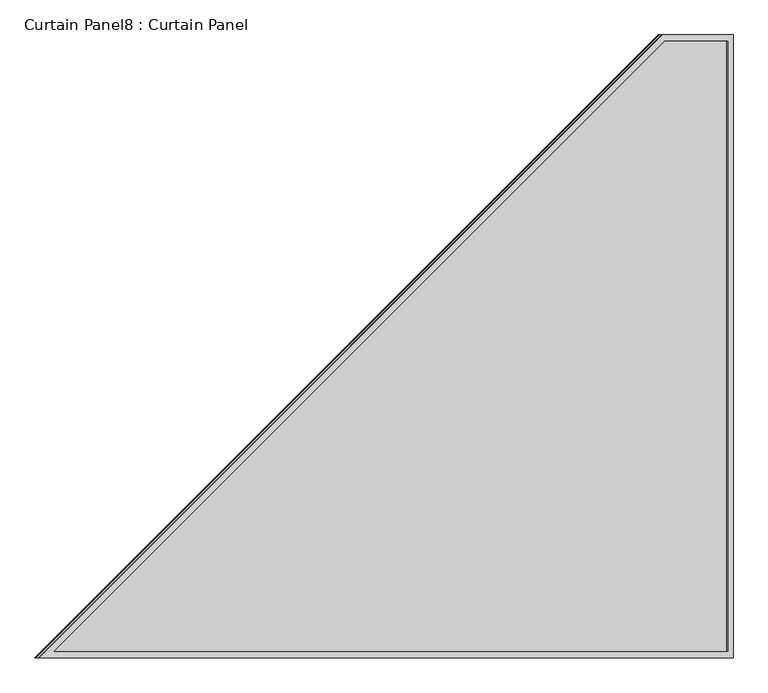
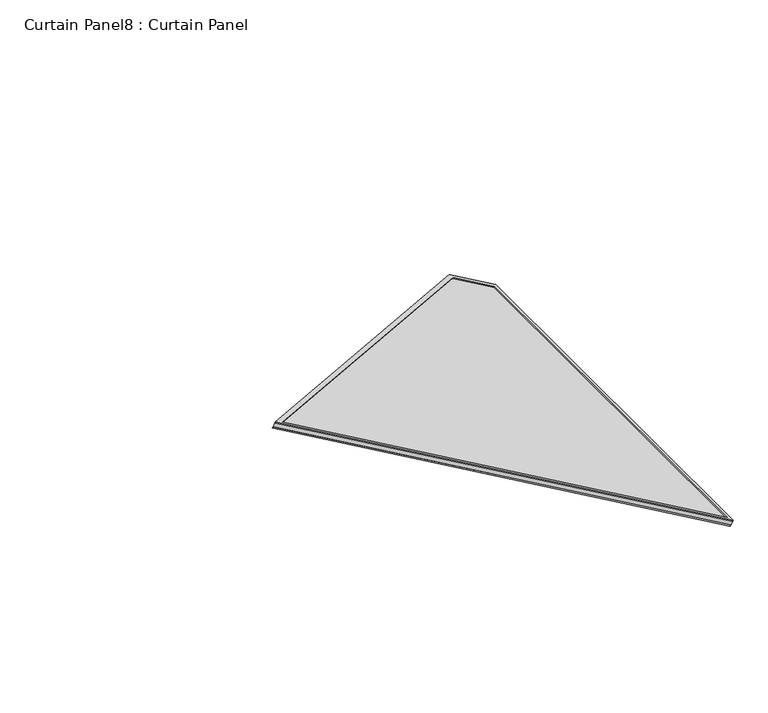
"""IFC4 building model written with IfcOpenShell, lengths in millimetres: plate geometry, Curtain Panel8 : Curtain Panel."""

from ifc_helpers import new_model, si_unit, frame, origin, place, context, project, spatial, polyline, outline, extrude, source, transform, mapped, element, save


def curtain_panel8_curtain_panel_fe7a59b3(model_context):
    return source(origin(), model_context, "Body", "SweptSolid", [
        extrude(outline(polyline([(1948.2793068, -15.8877), (-42.6143984, -15.8877), (1746.4786158, 1533.5123), (1948.2793068, 1533.5123), (1948.2793068, -15.8877)]), holes=[polyline([(1932.3916068, 1517.6246), (1752.4019427, 1517.6246), (0.0, 0.0), (1932.3916068, 0.0), (1932.3916068, 1517.6246)])]), frame((10446.583617, -11259.3512432, 2666.0725314), z_axis=(0.5000000000000023, 0.0, 0.8660254037844374), x_axis=(0.8660254037844374, 0.0, -0.5000000000000023)), (0.0, 0.0, 1.0), 4.0739219),
        extrude(outline(polyline([(1961.053407, -11.1252), (-29.8402981, -11.1252), (1759.2527161, 1538.2748), (1961.053407, 1538.2748), (1961.053407, -11.1252)]), holes=[polyline([(1949.928207, 1527.1496), (1763.4004653, 1527.1496), (0.0, 0.0), (1949.928207, 0.0), (1949.928207, 1527.1496)])]), frame((10426.3183826, -11264.1137432, 2656.5203163), z_axis=(0.5000000000000022, 0.0, 0.8660254037844374), x_axis=(0.8660254037844374, 0.0, -0.5000000000000022)), (0.0, 0.0, 1.0), 4.8121094),
        extrude(outline(polyline([(12.7, 0.0), (1562.1, 0.0), (1562.1, -1990.8937052), (12.7, -201.800691), (12.7, 0.0)])), frame((12127.0465059, -9713.1389432, 1680.1610217), z_axis=(0.49999999999999867, 0.0, 0.8660254037844395), x_axis=(0.0, -1.0, 0.0)), (0.0, 0.0, 1.0), 13.5929688),
    ])


if __name__ == "__main__":
    model = new_model("IFC4")
    model_context = context("Model", 3, world=origin())
    ifc_project = project(units=[si_unit("LENGTHUNIT", "METRE", prefix="MILLI")], contexts=[model_context])
    site = spatial("IfcSite", under=ifc_project)
    building = spatial("IfcBuilding", under=site)
    placement = place(None, origin())
    curtain_panel8_curtain_panel_shape = curtain_panel8_curtain_panel_fe7a59b3(model_context)
    element("IfcPlate", 1, ObjectType="Curtain Panel8 : Curtain Panel", at=placement, inside=building, context=model_context, shape_type="MappedRepresentation", body=[
        mapped(curtain_panel8_curtain_panel_shape, transform((0.0, 0.0, 0.0), x_axis=(1.0, 0.0, 0.0), y_axis=(0.0, 1.0, 0.0), z_axis=(0.0, 0.0, 1.0))),
    ])
    save(model, "model.ifc")
